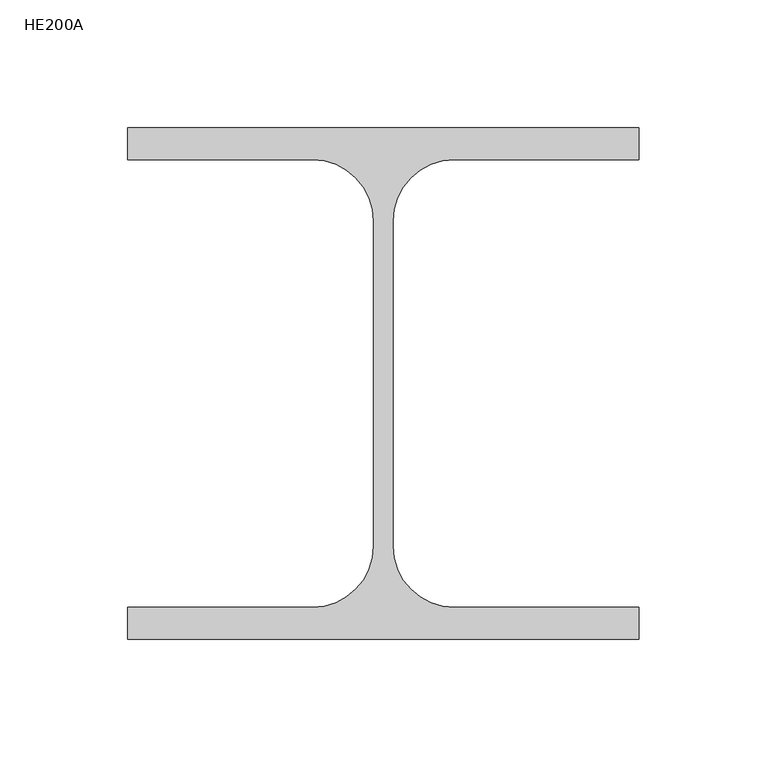
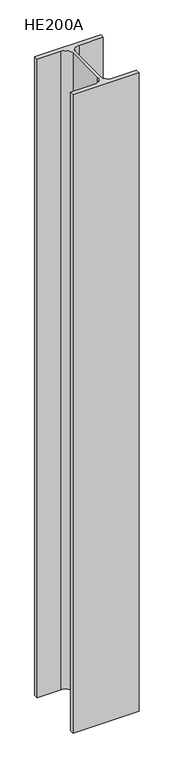
"""IFC4 building model written with IfcOpenShell, lengths in millimetres: column geometry, HE200A."""

from ifc_helpers import new_model, si_unit, point, frame, frame_2d, origin, place, context, project, spatial, polyline, circle_curve, trimmed, segment, composite_curve, outline, extrude, source, transform, mapped, element, save


def he200a_2958e3d8(model_context):
    return source(origin(), model_context, "Body", "SweptSolid", [
        extrude(outline(composite_curve([segment(polyline([(100.0, 100.0), (100.0, 87.5), (27.75, 87.5)]), True, "CONTINUOUS"), segment(trimmed(circle_curve(frame_2d((27.75, 63.5)), 24.0), [point((27.75, 87.5))], [point((3.75, 63.5))], True, "CARTESIAN"), True, "CONTINUOUS"), segment(polyline([(3.75, 63.5), (3.75, -63.5)]), True, "CONTINUOUS"), segment(trimmed(circle_curve(frame_2d((27.75, -63.5)), 24.0), [point((3.75, -63.5))], [point((27.75, -87.5))], True, "CARTESIAN"), True, "CONTINUOUS"), segment(polyline([(27.75, -87.5), (100.0, -87.5), (100.0, -100.0), (-100.0, -100.0), (-100.0, -87.5), (-27.75, -87.5)]), True, "CONTINUOUS"), segment(trimmed(circle_curve(frame_2d((-27.75, -63.5)), 24.0), [point((-27.75, -87.5))], [point((-3.75, -63.5))], True, "CARTESIAN"), True, "CONTINUOUS"), segment(polyline([(-3.75, -63.5), (-3.75, 63.5)]), True, "CONTINUOUS"), segment(trimmed(circle_curve(frame_2d((-27.75, 63.5)), 24.0), [point((-3.75, 63.5))], [point((-27.75, 87.5))], True, "CARTESIAN"), True, "CONTINUOUS"), segment(polyline([(-27.75, 87.5), (-100.0, 87.5), (-100.0, 100.0), (100.0, 100.0)]), True, "CONTINUOUS")], self_intersect=False)), frame((0.0, 0.0, 8050.0), z_axis=(0.0, 0.0, 1.0), x_axis=(1.0, 0.0, 0.0)), (0.0, 0.0, 1.0), 2040.0),
    ])


if __name__ == "__main__":
    model = new_model("IFC4")
    model_context = context("Model", 3, world=origin())
    ifc_project = project(units=[si_unit("LENGTHUNIT", "METRE", prefix="MILLI")], contexts=[model_context])
    site = spatial("IfcSite", under=ifc_project)
    building = spatial("IfcBuilding", under=site)
    placement = place(None, origin())
    he200a_shape = he200a_2958e3d8(model_context)
    element("IfcColumn", 1, ObjectType="HE200A", at=placement, inside=building, context=model_context, shape_type="MappedRepresentation", body=[
        mapped(he200a_shape, transform((0.0, 0.0, 0.0), x_axis=(1.0, 0.0, 0.0), y_axis=(0.0, 1.0, 0.0), z_axis=(0.0, 0.0, 1.0))),
    ])
    save(model, "model.ifc")
